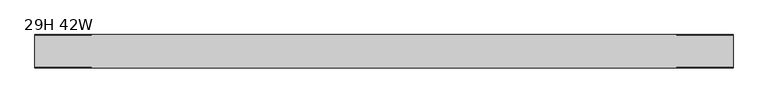
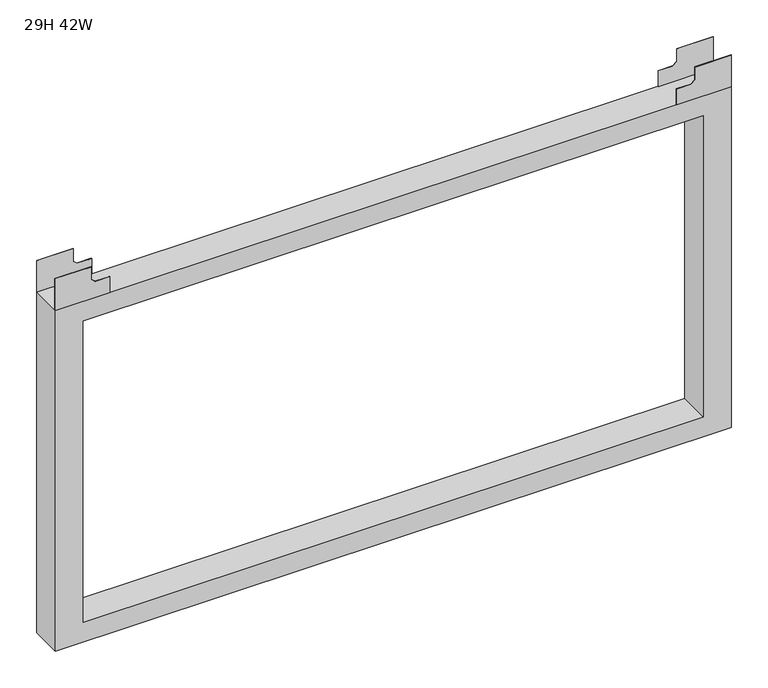
"""IFC4 building model written with IfcOpenShell, lengths in millimetres: furniture geometry, 29H 42W."""

from ifc_helpers import new_model, si_unit, frame, origin, place, context, project, spatial, polyline, outline, extrude, source, transform, mapped, element, save


def furniture_29h_42w_26c56ff0(model_context):
    return source(origin(), model_context, "Body", "SweptSolid", [
        extrude(outline(polyline([(723.3158, 1066.8), (723.3158, 1009.65), (701.8045403, 1009.65), (696.5950109, 1003.3000015), (696.5950109, 980.4400006), (670.5600085, 980.4400006), (670.5600085, 1066.8), (723.3158, 1066.8)])), frame((0.0, -14.333455, 0.0), z_axis=(0.0, 1.0, 0.0), x_axis=(0.0, 0.0, 1.0)), (0.0, 0.0, 1.0), 0.6174544),
        extrude(outline(polyline([(723.3158, 1066.8), (723.3158, 1009.65), (701.8045403, 1009.65), (696.5950109, 1003.3000015), (696.5950109, 980.4400006), (670.5600085, 980.4400006), (670.5600085, 1066.8), (723.3158, 1066.8)])), frame((0.0, -64.5160021, 0.0), z_axis=(0.0, 1.0, 0.0), x_axis=(0.0, 0.0, 1.0)), (0.0, 0.0, 1.0), 0.6174544),
        extrude(outline(polyline([(723.3158, 0.0), (670.5600085, 0.0), (670.5600085, 86.3599994), (696.5950109, 86.3599994), (696.5950109, 63.4999985), (701.8045403, 57.15), (723.3158, 57.15), (723.3158, 0.0)])), frame((0.0, -14.333455, 0.0), z_axis=(0.0, 1.0, 0.0), x_axis=(0.0, 0.0, 1.0)), (0.0, 0.0, 1.0), 0.6174544),
        extrude(outline(polyline([(723.3158, 0.0), (670.5600085, 0.0), (670.5600085, 86.3599994), (696.5950109, 86.3599994), (696.5950109, 63.4999985), (701.8045403, 57.15), (723.3158, 57.15), (723.3158, 0.0)])), frame((0.0, -64.5160021, 0.0), z_axis=(0.0, 1.0, 0.0), x_axis=(0.0, 0.0, 1.0)), (0.0, 0.0, 1.0), 0.6174544),
        extrude(outline(polyline([(101.600003, 0.0), (101.600003, 1066.8), (670.4329935, 1066.8), (670.4329935, 0.0), (101.600003, 0.0)]), holes=[polyline([(134.4929989, 44.4499985), (637.5400158, 44.4499985), (637.5400158, 1022.3500015), (134.4929989, 1022.3500015), (134.4929989, 44.4499985)])]), frame((0.0, -64.5160021, 0.0), z_axis=(0.0, 1.0, 0.0), x_axis=(0.0, 0.0, 1.0)), (0.0, 0.0, 1.0), 50.8000015),
    ])


if __name__ == "__main__":
    model = new_model("IFC4")
    model_context = context("Model", 3, world=origin())
    ifc_project = project(units=[si_unit("LENGTHUNIT", "METRE", prefix="MILLI")], contexts=[model_context])
    site = spatial("IfcSite", under=ifc_project)
    building = spatial("IfcBuilding", under=site)
    placement = place(None, origin())
    furniture_29h_42w_shape = furniture_29h_42w_26c56ff0(model_context)
    element("IfcFurniture", 1, ObjectType="29H 42W", at=placement, inside=building, context=model_context, shape_type="MappedRepresentation", body=[
        mapped(furniture_29h_42w_shape, transform((0.0, 0.0, 0.0), x_axis=(1.0, 0.0, 0.0), y_axis=(0.0, 1.0, 0.0), z_axis=(0.0, 0.0, 1.0))),
    ])
    save(model, "model.ifc")
